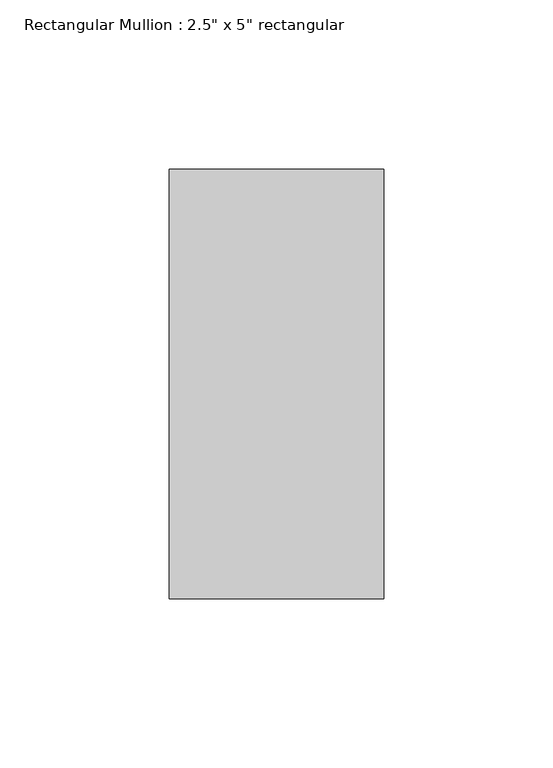
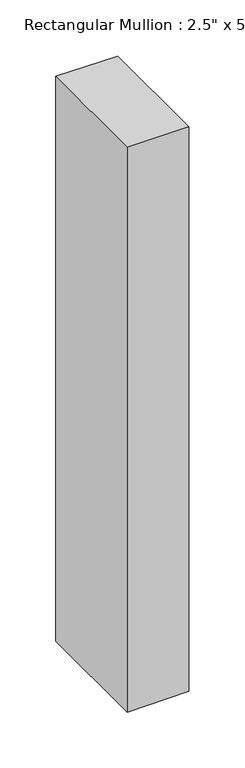
"""IFC4 building model written with IfcOpenShell, lengths in millimetres: member geometry."""

from ifc_helpers import new_model, si_unit, frame, origin, place, context, project, spatial, polyline, outline, extrude, source, transform, mapped, element, save


def member_a480a2f7(model_context):
    return source(origin(), model_context, "Body", "SweptSolid", [
        extrude(outline(polyline([(0.0, 0.0), (0.3385943, -63.5), (-615.5190059, -63.5), (-615.1249108, 0.0), (0.0, 0.0)])), frame((0.0, -63.5, 0.0), z_axis=(0.0, 1.0, 0.0), x_axis=(0.0, 0.0, 1.0)), (0.0, 0.0, 1.0), 127.0),
    ])


if __name__ == "__main__":
    model = new_model("IFC4")
    model_context = context("Model", 3, world=origin())
    ifc_project = project(units=[si_unit("LENGTHUNIT", "METRE", prefix="MILLI")], contexts=[model_context])
    site = spatial("IfcSite", under=ifc_project)
    building = spatial("IfcBuilding", under=site)
    placement = place(None, origin())
    member_shape = member_a480a2f7(model_context)
    element("IfcMember", 1, ObjectType="Rectangular Mullion : 2.5\" x 5\" rectangular", at=placement, inside=building, context=model_context, shape_type="MappedRepresentation", body=[
        mapped(member_shape, transform((0.0, 0.0, 0.0), x_axis=(1.0, 0.0, 0.0), y_axis=(0.0, 1.0, 0.0), z_axis=(0.0, 0.0, 1.0))),
    ])
    save(model, "model.ifc")
